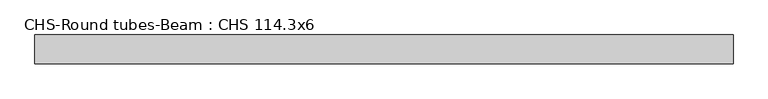
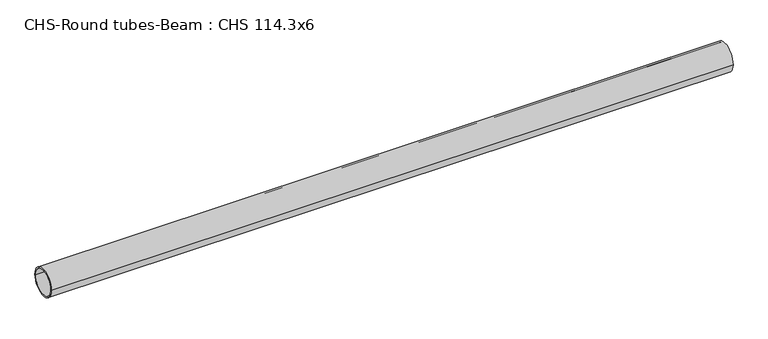
"""IFC4 building model written with IfcOpenShell, lengths in millimetres: beam geometry, CHS-Round tubes-Beam : CHS 114.3x6."""

from ifc_helpers import new_model, si_unit, point, frame, origin, origin_2d, place, context, project, spatial, circle_curve, trimmed, segment, composite_curve, outline, extrude, source, transform, mapped, element, save


def chs_round_tubes_beam_chs_114_3x6_e0e210ee(model_context):
    return source(origin(), model_context, "Body", "SweptSolid", [
        extrude(outline(composite_curve([segment(trimmed(circle_curve(origin_2d(), 57.15), [point((57.15, 0.0))], [point((-57.15, 0.0))], False, "CARTESIAN"), True, "CONTINUOUS"), segment(trimmed(circle_curve(origin_2d(), 57.15), [point((-57.15, 0.0))], [point((57.15, 0.0))], False, "CARTESIAN"), True, "CONTINUOUS")], self_intersect=False), holes=[composite_curve([segment(trimmed(circle_curve(origin_2d(), 51.15), [point((51.15, 0.0))], [point((-51.15, 0.0))], True, "CARTESIAN"), True, "CONTINUOUS"), segment(trimmed(circle_curve(origin_2d(), 51.15), [point((-51.15, 0.0))], [point((51.15, 0.0))], True, "CARTESIAN"), True, "CONTINUOUS")], self_intersect=False)]), frame((-1331.1920038, 0.0, 0.0), z_axis=(1.0, 0.0, 0.0), x_axis=(0.0, 1.0, 0.0)), (0.0, 0.0, 1.0), 2747.8319381),
    ])


if __name__ == "__main__":
    model = new_model("IFC4")
    model_context = context("Model", 3, world=origin())
    ifc_project = project(units=[si_unit("LENGTHUNIT", "METRE", prefix="MILLI")], contexts=[model_context])
    site = spatial("IfcSite", under=ifc_project)
    building = spatial("IfcBuilding", under=site)
    placement = place(None, origin())
    chs_round_tubes_beam_chs_114_3x6_shape = chs_round_tubes_beam_chs_114_3x6_e0e210ee(model_context)
    element("IfcBeam", 1, ObjectType="CHS-Round tubes-Beam : CHS 114.3x6", at=placement, inside=building, context=model_context, shape_type="MappedRepresentation", body=[
        mapped(chs_round_tubes_beam_chs_114_3x6_shape, transform((0.0, 0.0, 0.0), x_axis=(1.0, 0.0, 0.0), y_axis=(0.0, 1.0, 0.0), z_axis=(0.0, 0.0, 1.0))),
    ])
    save(model, "model.ifc")
